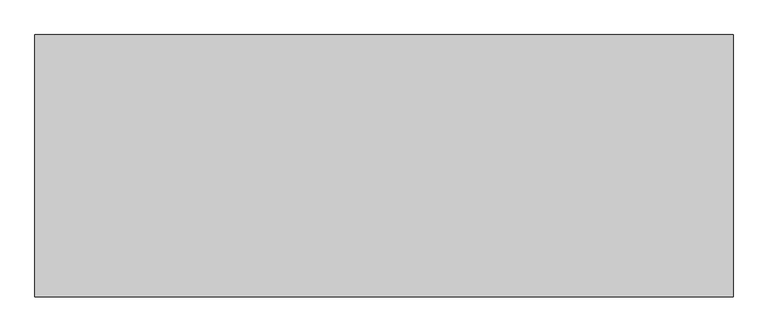
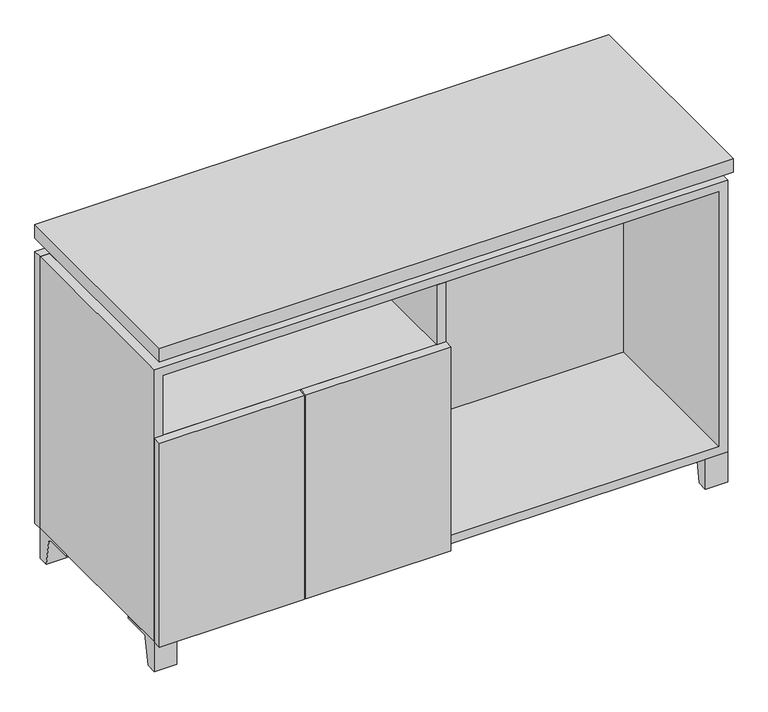
"""IFC4 building model written with IfcOpenShell, lengths in millimetres: furniture geometry."""

from ifc_helpers import new_model, si_unit, point, frame, frame_2d, origin, place, context, project, spatial, polyline, circle_curve, trimmed, segment, composite_curve, outline, extrude, faceted_brep, source, transform, mapped, element, save


def furniture_e47b5206(model_context):
    return source(origin(), model_context, "Body", "SolidModel", [
        extrude(outline(composite_curve([segment(polyline([(44.9791531, 0.0), (22.225, 0.0), (22.225, 66.675), (117.475, 66.675), (117.475, 61.8963321), (60.6744655, 61.8963321)]), True, "CONTINUOUS"), segment(trimmed(circle_curve(frame_2d((60.6744655, 55.5463321)), 6.35), [point((60.6744655, 61.8963321))], [point((54.4108641, 56.5902656))], True, "CARTESIAN"), True, "CONTINUOUS"), segment(polyline([(54.4108641, 56.5902656), (44.9791531, 0.0)]), True, "CONTINUOUS")], self_intersect=False)), frame((-23.7986094, 0.0, 0.0), z_axis=(1.0, 0.0, 0.0), x_axis=(0.0, 1.0, 0.0)), (0.0, 0.0, 1.0), 47.625),
        extrude(outline(composite_curve([segment(polyline([(-123.2958469, 0.0), (-146.05, 0.0), (-146.05, 66.675), (-50.8, 66.675), (-50.8, 61.8963321), (-107.6005345, 61.8963321)]), True, "CONTINUOUS"), segment(trimmed(circle_curve(frame_2d((-107.6005345, 55.5463321)), 6.35), [point((-107.6005345, 61.8963321))], [point((-113.8641359, 56.5902656))], True, "CARTESIAN"), True, "CONTINUOUS"), segment(polyline([(-113.8641359, 56.5902656), (-123.2958469, 0.0)]), True, "CONTINUOUS")], self_intersect=False)), frame((560.4013906, 0.0, 0.0), z_axis=(1.0, 0.0, 0.0), x_axis=(0.0, 1.0, 0.0)), (0.0, 0.0, 1.0), 47.625),
        extrude(outline(composite_curve([segment(polyline([(250.2958469, 0.0), (240.8641359, 56.5902656)]), True, "CONTINUOUS"), segment(trimmed(circle_curve(frame_2d((234.6005345, 55.5463321)), 6.35), [point((240.8641359, 56.5902656))], [point((234.6005345, 61.8963321))], True, "CARTESIAN"), True, "CONTINUOUS"), segment(polyline([(234.6005345, 61.8963321), (177.8, 61.8963321), (177.8, 66.675), (273.05, 66.675), (273.05, 0.0), (250.2958469, 0.0)]), True, "CONTINUOUS")], self_intersect=False)), frame((560.4013906, 0.0, 0.0), z_axis=(1.0, 0.0, 0.0), x_axis=(0.0, 1.0, 0.0)), (0.0, 0.0, 1.0), 47.625),
        extrude(outline(composite_curve([segment(polyline([(-123.2958469, 0.0), (-146.05, 0.0), (-146.05, 66.675), (-50.8, 66.675), (-50.8, 61.8963321), (-107.6005345, 61.8963321)]), True, "CONTINUOUS"), segment(trimmed(circle_curve(frame_2d((-107.6005345, 55.5463321)), 6.35), [point((-107.6005345, 61.8963321))], [point((-113.8641359, 56.5902656))], True, "CARTESIAN"), True, "CONTINUOUS"), segment(polyline([(-113.8641359, 56.5902656), (-123.2958469, 0.0)]), True, "CONTINUOUS")], self_intersect=False)), frame((-607.9986094, 0.0, 0.0), z_axis=(1.0, 0.0, 0.0), x_axis=(0.0, 1.0, 0.0)), (0.0, 0.0, 1.0), 47.625),
        extrude(outline(composite_curve([segment(polyline([(250.2958469, 0.0), (240.8641359, 56.5902656)]), True, "CONTINUOUS"), segment(trimmed(circle_curve(frame_2d((234.6005345, 55.5463321)), 6.35), [point((240.8641359, 56.5902656))], [point((234.6005345, 61.8963321))], True, "CARTESIAN"), True, "CONTINUOUS"), segment(polyline([(234.6005345, 61.8963321), (177.8, 61.8963321), (177.8, 66.675), (273.05, 66.675), (273.05, 0.0), (250.2958469, 0.0)]), True, "CONTINUOUS")], self_intersect=False)), frame((-607.9986094, 0.0, 0.0), z_axis=(1.0, 0.0, 0.0), x_axis=(0.0, 1.0, 0.0)), (0.0, 0.0, 1.0), 47.625),
        faceted_brep([(-607.9986094, -146.05, 66.675), (608.0125, -146.05, 66.675), (608.0125, -146.05, 676.275), (-607.9986094, -146.05, 676.275), (-588.9486094, -146.05, 85.725), (-588.9486094, -146.05, 657.225), (588.9694453, -146.05, 657.225), (588.9486094, -146.05, 85.725), (-607.9986094, 273.05, 66.675), (-607.9986094, 273.05, 676.275), (-588.9486094, 273.05, 676.275), (-588.9486094, 273.05, 85.725), (588.9486094, 273.05, 85.725), (588.9486094, 273.05, 676.275), (608.0125, 273.05, 676.275), (608.0125, 273.05, 66.675), (588.9486094, 247.65, 676.275), (-588.9416641, 247.65, 676.275), (-588.9486094, 247.65, 657.225), (588.9486094, 247.65, 657.225)], [[[0, 1, 2, 3], [4, 5, 6, 7]], [[8, 9, 10, 11, 12, 13, 14, 15]], [[1, 0, 8, 15]], [[2, 1, 15, 14]], [[3, 2, 14, 13, 16, 17, 10, 9]], [[0, 3, 9, 8]], [[11, 10, 17, 18, 5, 4]], [[13, 12, 7, 6, 19, 16]], [[4, 7, 12, 11]], [[6, 5, 18, 19]], [[17, 16, 19, 18]]]),
        extrude(outline(polyline([(608.0263906, -165.1), (-607.9986094, -165.1), (-607.9986094, 292.1), (608.0263906, 292.1), (608.0263906, -165.1)])), frame((0.0, 0.0, 706.4375), z_axis=(0.0, 0.0, 1.0), x_axis=(1.0, 0.0, 0.0)), (0.0, 0.0, 1.0), 30.1625),
        faceted_brep([(7.9513906, -69.85, 706.4375), (7.9513906, -69.85, 676.275), (7.9513906, 53.975, 676.275), (7.9513906, 53.975, 706.4375), (7.9513906, 196.85, 676.275), (7.9513906, 196.85, 706.4375), (7.9513906, 73.025, 706.4375), (7.9513906, 73.025, 676.275), (-7.9236094, 196.85, 706.4375), (-7.9236094, 196.85, 676.275), (-7.9236094, 73.025, 676.275), (-7.9236094, 73.025, 706.4375), (-7.9236094, -69.85, 676.275), (-7.9236094, -69.85, 706.4375), (-7.9236094, 53.975, 706.4375), (-7.9236094, 53.975, 676.275), (-566.6958281, 73.025, 706.4375), (-566.7166641, 247.65, 706.4375), (-582.5916641, 247.65, 706.4375), (-582.5916641, -120.65, 706.4375), (-566.7166641, -120.65, 706.4375), (-566.7166641, 53.975, 706.4375), (566.7236094, 53.975, 706.4375), (566.7236094, -120.65, 706.4375), (582.5986094, -120.65, 706.4375), (582.5986094, 247.65, 706.4375), (566.7236094, 247.65, 706.4375), (566.7236094, 73.025, 706.4375), (-566.6958281, 53.975, 676.275), (-566.7166641, -120.65, 676.275), (-582.5916641, -120.65, 676.275), (-582.5916641, 247.65, 676.275), (-566.7166641, 247.65, 676.275), (-566.7166641, 73.025, 676.275), (566.7236094, 73.025, 676.275), (566.7236094, 247.65, 676.275), (582.5986094, 247.65, 676.275), (582.5986094, -120.65, 676.275), (566.7236094, -120.65, 676.275), (566.7236094, 53.975, 676.275)], [[[0, 1, 2, 3]], [[4, 5, 6, 7]], [[8, 9, 10, 11]], [[12, 13, 14, 15]], [[5, 8, 11, 16, 17, 18, 19, 20, 21, 14, 13, 0, 3, 22, 23, 24, 25, 26, 27, 6]], [[1, 12, 15, 28, 29, 30, 31, 32, 33, 10, 9, 4, 7, 34, 35, 36, 37, 38, 39, 2]], [[5, 4, 9, 8]], [[1, 0, 13, 12]], [[6, 27, 34, 7]], [[22, 3, 2, 39]], [[20, 29, 28, 21]], [[32, 17, 16, 33]], [[18, 31, 30, 19]], [[29, 20, 19, 30]], [[17, 32, 31, 18]], [[26, 35, 34, 27]], [[38, 23, 22, 39]], [[25, 24, 37, 36]], [[23, 38, 37, 24]], [[35, 26, 25, 36]], [[16, 11, 10, 33]], [[14, 21, 28, 15]]]),
        extrude(outline(polyline([(9.5388906, 203.2), (9.5388906, -146.05), (-9.5111094, -146.05), (-9.5111094, 203.2), (9.5388906, 203.2)])), frame((0.0, 0.0, 85.725), z_axis=(0.0, 0.0, 1.0), x_axis=(1.0, 0.0, 0.0)), (0.0, 0.0, 1.0), 571.5),
        extrude(outline(polyline([(608.0263906, 273.05), (-607.9986094, 273.05), (-607.9986094, 292.1), (608.0263906, 292.1), (608.0263906, 273.05)])), frame((0.0, 0.0, 66.675), z_axis=(0.0, 0.0, 1.0), x_axis=(1.0, 0.0, 0.0)), (0.0, 0.0, 1.0), 609.6),
        extrude(outline(polyline([(-588.9416641, 203.2), (-588.9416641, 209.55), (588.9694453, 209.55), (588.9694453, 203.2), (-588.9416641, 203.2)])), frame((0.0, 0.0, 85.725), z_axis=(0.0, 0.0, 1.0), x_axis=(1.0, 0.0, 0.0)), (0.0, 0.0, 1.0), 571.5),
        extrude(outline(polyline([(9.5388906, -165.1), (-297.6423594, -165.1), (-297.6423594, -146.05), (9.5388906, -146.05), (9.5388906, -165.1)])), frame((0.0, 0.0, 66.675), z_axis=(0.0, 0.0, 1.0), x_axis=(1.0, 0.0, 0.0)), (0.0, 0.0, 1.0), 457.2),
        extrude(outline(polyline([(-300.8173594, -165.1), (-607.9986094, -165.1), (-607.9986094, -146.05), (-300.8173594, -146.05), (-300.8173594, -165.1)])), frame((0.0, 0.0, 66.675), z_axis=(0.0, 0.0, 1.0), x_axis=(1.0, 0.0, 0.0)), (0.0, 0.0, 1.0), 457.2),
        extrude(outline(polyline([(-9.5111094, 203.2), (-9.5111094, -146.05), (-588.9486094, -146.05), (-588.9486094, 203.2), (-9.5111094, 203.2)])), frame((0.0, 0.0, 504.825), z_axis=(0.0, 0.0, 1.0), x_axis=(1.0, 0.0, 0.0)), (0.0, 0.0, 1.0), 19.05),
    ])


if __name__ == "__main__":
    model = new_model("IFC4")
    model_context = context("Model", 3, world=origin())
    ifc_project = project(units=[si_unit("LENGTHUNIT", "METRE", prefix="MILLI")], contexts=[model_context])
    site = spatial("IfcSite", under=ifc_project)
    building = spatial("IfcBuilding", under=site)
    placement = place(None, origin())
    furniture_shape = furniture_e47b5206(model_context)
    element("IfcFurniture", 1, at=placement, inside=building, context=model_context, shape_type="MappedRepresentation", body=[
        mapped(furniture_shape, transform((0.0, 0.0, 0.0), x_axis=(1.0, 0.0, 0.0), y_axis=(0.0, 1.0, 0.0), z_axis=(0.0, 0.0, 1.0))),
    ])
    save(model, "model.ifc")
